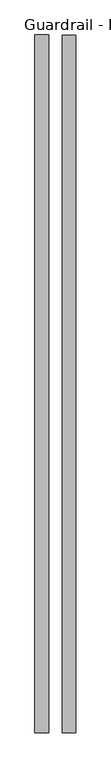
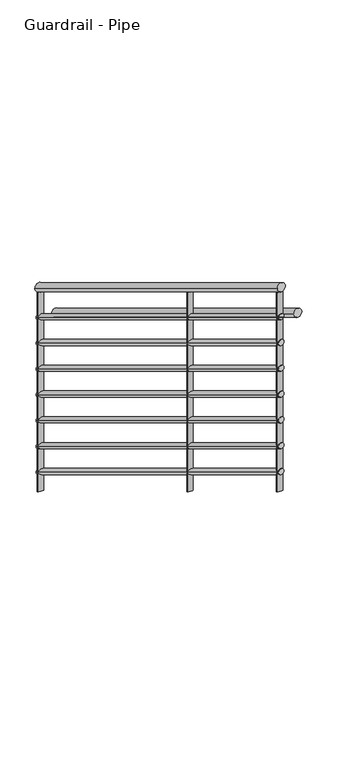
"""IFC4 building model written with IfcOpenShell, lengths in millimetres: railing geometry, Guardrail - Pipe."""

from ifc_helpers import new_model, si_unit, frame, origin, place, context, project, spatial, ellipse_curve, source, transform, mapped, element, save
from ifc_brep_helpers import plane_surface, cylinder_surface, advanced_brep


def guardrail_pipe_20d949bf(model_context):
    return source(origin(), model_context, "Body", "AdvancedBrep", [
        advanced_brep(
        [(17119.2031068, 297.9226057, 1213.8577857), (17081.1031068, 297.9226057, 1213.8577857), (17119.2031068, -1657.8773943, 2399.1911191), (17081.1031068, -1657.8773943, 2399.1911191)],
        [
            (0, 1, ellipse_curve(frame((17100.1531068, 297.9226057, 1213.8577857), z_axis=(0.0, 1.0, 0.0), x_axis=(0.0, 0.0, -1.0)), 22.2755476, 19.05)),
            (1, 0, ellipse_curve(frame((17100.1531068, 297.9226057, 1213.8577857), z_axis=(0.0, 1.0, 0.0), x_axis=(0.0, 0.0, -1.0)), 22.2755476, 19.05)),
            (2, 3, ellipse_curve(frame((17100.1531068, -1657.8773943, 2399.1911191), z_axis=(0.0, -1.0, 0.0), x_axis=(0.0, 0.0, -1.0)), 22.2755476, 19.05)),
            (3, 2, ellipse_curve(frame((17100.1531068, -1657.8773943, 2399.1911191), z_axis=(0.0, -1.0, 0.0), x_axis=(0.0, 0.0, -1.0)), 22.2755476, 19.05)),
            (0, 2),
            (3, 1),
        ],
        [
            plane_surface(frame((17100.1531068, 297.9226057, 1236.1333333), z_axis=(0.0, 1.0, 0.0), x_axis=(0.0, 0.0, -1.0))),
            plane_surface(frame((17100.1531068, -1657.8773943, 2421.4666667), z_axis=(0.0, -1.0, 0.0), x_axis=(0.0, 0.0, -1.0))),
            cylinder_surface(frame((17100.1531068, 288.048958, 1219.8418146), z_axis=(0.0, 0.8551978315540538, -0.5183017160932849), x_axis=(-1.0, 0.0, 0.0)), 19.05),
        ],
        [
            (0, [[1, 2]]),
            (1, [[3, 4]]),
            (2, [[-1, 5, -4, 6]]),
            (2, [[-2, -6, -3, -5]]),
        ],
    ),
        advanced_brep(
        [(17112.8531068, 297.9226057, 1068.8829683), (17087.4531068, 297.9226057, 1068.8829683), (17112.8531068, -1657.8773943, 2254.2163016), (17087.4531068, -1657.8773943, 2254.2163016)],
        [
            (0, 1, ellipse_curve(frame((17100.1531068, 297.9226057, 1068.8829683), z_axis=(0.0, 1.0, 0.0), x_axis=(0.0, 0.0, -1.0)), 14.8503651, 12.7)),
            (1, 0, ellipse_curve(frame((17100.1531068, 297.9226057, 1068.8829683), z_axis=(0.0, 1.0, 0.0), x_axis=(0.0, 0.0, -1.0)), 14.8503651, 12.7)),
            (2, 3, ellipse_curve(frame((17100.1531068, -1657.8773943, 2254.2163016), z_axis=(0.0, -1.0, 0.0), x_axis=(0.0, 0.0, -1.0)), 14.8503651, 12.7)),
            (3, 2, ellipse_curve(frame((17100.1531068, -1657.8773943, 2254.2163016), z_axis=(0.0, -1.0, 0.0), x_axis=(0.0, 0.0, -1.0)), 14.8503651, 12.7)),
            (0, 2),
            (3, 1),
        ],
        [
            plane_surface(frame((17100.1531068, 297.9226057, 1083.7333333), z_axis=(0.0, 1.0, 0.0), x_axis=(0.0, 0.0, -1.0))),
            plane_surface(frame((17100.1531068, -1657.8773943, 2269.0666667), z_axis=(0.0, -1.0, 0.0), x_axis=(0.0, 0.0, -1.0))),
            cylinder_surface(frame((17100.1531068, 291.3401739, 1072.8723209), z_axis=(0.0, 0.8551978315540539, -0.5183017160932849), x_axis=(-1.0, 0.0, 0.0)), 12.7),
        ],
        [
            (0, [[1, 2]]),
            (1, [[3, 4]]),
            (2, [[-1, 5, -4, 6]]),
            (2, [[-2, -6, -3, -5]]),
        ],
    ),
        advanced_brep(
        [(17195.4031068, 297.9226057, 1061.4577857), (17157.3031068, 297.9226057, 1061.4577857), (17195.4031068, -1657.8773943, 2246.7911191), (17157.3031068, -1657.8773943, 2246.7911191)],
        [
            (0, 1, ellipse_curve(frame((17176.3531068, 297.9226057, 1061.4577857), z_axis=(0.0, 1.0, 0.0), x_axis=(0.0, 0.0, -1.0)), 22.2755476, 19.05)),
            (1, 0, ellipse_curve(frame((17176.3531068, 297.9226057, 1061.4577857), z_axis=(0.0, 1.0, 0.0), x_axis=(0.0, 0.0, -1.0)), 22.2755476, 19.05)),
            (2, 3, ellipse_curve(frame((17176.3531068, -1657.8773943, 2246.7911191), z_axis=(0.0, -1.0, 0.0), x_axis=(0.0, 0.0, -1.0)), 22.2755476, 19.05)),
            (3, 2, ellipse_curve(frame((17176.3531068, -1657.8773943, 2246.7911191), z_axis=(0.0, -1.0, 0.0), x_axis=(0.0, 0.0, -1.0)), 22.2755476, 19.05)),
            (0, 2),
            (3, 1),
        ],
        [
            plane_surface(frame((17176.3531068, 297.9226057, 1083.7333333), z_axis=(0.0, 1.0, 0.0), x_axis=(0.0, 0.0, -1.0))),
            plane_surface(frame((17176.3531068, -1657.8773943, 2269.0666667), z_axis=(0.0, -1.0, 0.0), x_axis=(0.0, 0.0, -1.0))),
            cylinder_surface(frame((17176.3531068, 288.048958, 1067.4418146), z_axis=(0.0, 0.8551978315540539, -0.518301716093285), x_axis=(-1.0, 0.0, 0.0)), 19.05),
        ],
        [
            (0, [[1, 2]]),
            (1, [[3, 4]]),
            (2, [[-1, 5, -4, 6]]),
            (2, [[-2, -6, -3, -5]]),
        ],
    ),
        advanced_brep(
        [(17112.8531068, 297.9226057, 941.8829683), (17087.4531068, 297.9226057, 941.8829683), (17112.8531068, -1657.8773943, 2127.2163016), (17087.4531068, -1657.8773943, 2127.2163016)],
        [
            (0, 1, ellipse_curve(frame((17100.1531068, 297.9226057, 941.8829683), z_axis=(0.0, 1.0, 0.0), x_axis=(0.0, 0.0, -1.0)), 14.8503651, 12.7)),
            (1, 0, ellipse_curve(frame((17100.1531068, 297.9226057, 941.8829683), z_axis=(0.0, 1.0, 0.0), x_axis=(0.0, 0.0, -1.0)), 14.8503651, 12.7)),
            (2, 3, ellipse_curve(frame((17100.1531068, -1657.8773943, 2127.2163016), z_axis=(0.0, -1.0, 0.0), x_axis=(0.0, 0.0, -1.0)), 14.8503651, 12.7)),
            (3, 2, ellipse_curve(frame((17100.1531068, -1657.8773943, 2127.2163016), z_axis=(0.0, -1.0, 0.0), x_axis=(0.0, 0.0, -1.0)), 14.8503651, 12.7)),
            (0, 2),
            (3, 1),
        ],
        [
            plane_surface(frame((17100.1531068, 297.9226057, 956.7333333), z_axis=(0.0, 1.0, 0.0), x_axis=(0.0, 0.0, -1.0))),
            plane_surface(frame((17100.1531068, -1657.8773943, 2142.0666667), z_axis=(0.0, -1.0, 0.0), x_axis=(0.0, 0.0, -1.0))),
            cylinder_surface(frame((17100.1531068, 291.3401739, 945.8723209), z_axis=(0.0, 0.8551978315540539, -0.5183017160932849), x_axis=(-1.0, 0.0, 0.0)), 12.7),
        ],
        [
            (0, [[1, 2]]),
            (1, [[3, 4]]),
            (2, [[-1, 5, -4, 6]]),
            (2, [[-2, -6, -3, -5]]),
        ],
    ),
        advanced_brep(
        [(17112.8531068, 297.9226057, 814.8829683), (17087.4531068, 297.9226057, 814.8829683), (17112.8531068, -1657.8773943, 2000.2163016), (17087.4531068, -1657.8773943, 2000.2163016)],
        [
            (0, 1, ellipse_curve(frame((17100.1531068, 297.9226057, 814.8829683), z_axis=(0.0, 1.0, 0.0), x_axis=(0.0, 0.0, -1.0)), 14.8503651, 12.7)),
            (1, 0, ellipse_curve(frame((17100.1531068, 297.9226057, 814.8829683), z_axis=(0.0, 1.0, 0.0), x_axis=(0.0, 0.0, -1.0)), 14.8503651, 12.7)),
            (2, 3, ellipse_curve(frame((17100.1531068, -1657.8773943, 2000.2163016), z_axis=(0.0, -1.0, 0.0), x_axis=(0.0, 0.0, -1.0)), 14.8503651, 12.7)),
            (3, 2, ellipse_curve(frame((17100.1531068, -1657.8773943, 2000.2163016), z_axis=(0.0, -1.0, 0.0), x_axis=(0.0, 0.0, -1.0)), 14.8503651, 12.7)),
            (0, 2),
            (3, 1),
        ],
        [
            plane_surface(frame((17100.1531068, 297.9226057, 829.7333333), z_axis=(0.0, 1.0, 0.0), x_axis=(0.0, 0.0, -1.0))),
            plane_surface(frame((17100.1531068, -1657.8773943, 2015.0666667), z_axis=(0.0, -1.0, 0.0), x_axis=(0.0, 0.0, -1.0))),
            cylinder_surface(frame((17100.1531068, 291.3401739, 818.8723209), z_axis=(0.0, 0.8551978315540538, -0.5183017160932849), x_axis=(-1.0, 0.0, 0.0)), 12.7),
        ],
        [
            (0, [[1, 2]]),
            (1, [[3, 4]]),
            (2, [[-1, 5, -4, 6]]),
            (2, [[-2, -6, -3, -5]]),
        ],
    ),
        advanced_brep(
        [(17112.8531068, 297.9226057, 687.8829683), (17087.4531068, 297.9226057, 687.8829683), (17112.8531068, -1657.8773943, 1873.2163016), (17087.4531068, -1657.8773943, 1873.2163016)],
        [
            (0, 1, ellipse_curve(frame((17100.1531068, 297.9226057, 687.8829683), z_axis=(0.0, 1.0, 0.0), x_axis=(0.0, 0.0, -1.0)), 14.8503651, 12.7)),
            (1, 0, ellipse_curve(frame((17100.1531068, 297.9226057, 687.8829683), z_axis=(0.0, 1.0, 0.0), x_axis=(0.0, 0.0, -1.0)), 14.8503651, 12.7)),
            (2, 3, ellipse_curve(frame((17100.1531068, -1657.8773943, 1873.2163016), z_axis=(0.0, -1.0, 0.0), x_axis=(0.0, 0.0, -1.0)), 14.8503651, 12.7)),
            (3, 2, ellipse_curve(frame((17100.1531068, -1657.8773943, 1873.2163016), z_axis=(0.0, -1.0, 0.0), x_axis=(0.0, 0.0, -1.0)), 14.8503651, 12.7)),
            (0, 2),
            (3, 1),
        ],
        [
            plane_surface(frame((17100.1531068, 297.9226057, 702.7333333), z_axis=(0.0, 1.0, 0.0), x_axis=(0.0, 0.0, -1.0))),
            plane_surface(frame((17100.1531068, -1657.8773943, 1888.0666667), z_axis=(0.0, -1.0, 0.0), x_axis=(0.0, 0.0, -1.0))),
            cylinder_surface(frame((17100.1531068, 291.3401739, 691.8723209), z_axis=(0.0, 0.8551978315540539, -0.5183017160932849), x_axis=(-1.0, 0.0, 0.0)), 12.7),
        ],
        [
            (0, [[1, 2]]),
            (1, [[3, 4]]),
            (2, [[-1, 5, -4, 6]]),
            (2, [[-2, -6, -3, -5]]),
        ],
    ),
        advanced_brep(
        [(17112.8531068, 297.9226057, 560.8829683), (17087.4531068, 297.9226057, 560.8829683), (17112.8531068, -1657.8773943, 1746.2163016), (17087.4531068, -1657.8773943, 1746.2163016)],
        [
            (0, 1, ellipse_curve(frame((17100.1531068, 297.9226057, 560.8829683), z_axis=(0.0, 1.0, 0.0), x_axis=(0.0, 0.0, -1.0)), 14.8503651, 12.7)),
            (1, 0, ellipse_curve(frame((17100.1531068, 297.9226057, 560.8829683), z_axis=(0.0, 1.0, 0.0), x_axis=(0.0, 0.0, -1.0)), 14.8503651, 12.7)),
            (2, 3, ellipse_curve(frame((17100.1531068, -1657.8773943, 1746.2163016), z_axis=(0.0, -1.0, 0.0), x_axis=(0.0, 0.0, -1.0)), 14.8503651, 12.7)),
            (3, 2, ellipse_curve(frame((17100.1531068, -1657.8773943, 1746.2163016), z_axis=(0.0, -1.0, 0.0), x_axis=(0.0, 0.0, -1.0)), 14.8503651, 12.7)),
            (0, 2),
            (3, 1),
        ],
        [
            plane_surface(frame((17100.1531068, 297.9226057, 575.7333333), z_axis=(0.0, 1.0, 0.0), x_axis=(0.0, 0.0, -1.0))),
            plane_surface(frame((17100.1531068, -1657.8773943, 1761.0666667), z_axis=(0.0, -1.0, 0.0), x_axis=(0.0, 0.0, -1.0))),
            cylinder_surface(frame((17100.1531068, 291.3401739, 564.8723209), z_axis=(0.0, 0.8551978315540539, -0.5183017160932849), x_axis=(-1.0, 0.0, 0.0)), 12.7),
        ],
        [
            (0, [[1, 2]]),
            (1, [[3, 4]]),
            (2, [[-1, 5, -4, 6]]),
            (2, [[-2, -6, -3, -5]]),
        ],
    ),
        advanced_brep(
        [(17112.8531068, 297.9226057, 433.8829683), (17087.4531068, 297.9226057, 433.8829683), (17112.8531068, -1657.8773943, 1619.2163016), (17087.4531068, -1657.8773943, 1619.2163016)],
        [
            (0, 1, ellipse_curve(frame((17100.1531068, 297.9226057, 433.8829683), z_axis=(0.0, 1.0, 0.0), x_axis=(0.0, 0.0, -1.0)), 14.8503651, 12.7)),
            (1, 0, ellipse_curve(frame((17100.1531068, 297.9226057, 433.8829683), z_axis=(0.0, 1.0, 0.0), x_axis=(0.0, 0.0, -1.0)), 14.8503651, 12.7)),
            (2, 3, ellipse_curve(frame((17100.1531068, -1657.8773943, 1619.2163016), z_axis=(0.0, -1.0, 0.0), x_axis=(0.0, 0.0, -1.0)), 14.8503651, 12.7)),
            (3, 2, ellipse_curve(frame((17100.1531068, -1657.8773943, 1619.2163016), z_axis=(0.0, -1.0, 0.0), x_axis=(0.0, 0.0, -1.0)), 14.8503651, 12.7)),
            (0, 2),
            (3, 1),
        ],
        [
            plane_surface(frame((17100.1531068, 297.9226057, 448.7333333), z_axis=(0.0, 1.0, 0.0), x_axis=(0.0, 0.0, -1.0))),
            plane_surface(frame((17100.1531068, -1657.8773943, 1634.0666667), z_axis=(0.0, -1.0, 0.0), x_axis=(0.0, 0.0, -1.0))),
            cylinder_surface(frame((17100.1531068, 291.3401739, 437.8723209), z_axis=(0.0, 0.8551978315540538, -0.5183017160932849), x_axis=(-1.0, 0.0, 0.0)), 12.7),
        ],
        [
            (0, [[1, 2]]),
            (1, [[3, 4]]),
            (2, [[-1, 5, -4, 6]]),
            (2, [[-2, -6, -3, -5]]),
        ],
    ),
        advanced_brep(
        [(17112.8531068, 297.9226057, 306.8829683), (17087.4531068, 297.9226057, 306.8829683), (17112.8531068, -1657.8773943, 1492.2163016), (17087.4531068, -1657.8773943, 1492.2163016)],
        [
            (0, 1, ellipse_curve(frame((17100.1531068, 297.9226057, 306.8829683), z_axis=(0.0, 1.0, 0.0), x_axis=(0.0, 0.0, -1.0)), 14.8503651, 12.7)),
            (1, 0, ellipse_curve(frame((17100.1531068, 297.9226057, 306.8829683), z_axis=(0.0, 1.0, 0.0), x_axis=(0.0, 0.0, -1.0)), 14.8503651, 12.7)),
            (2, 3, ellipse_curve(frame((17100.1531068, -1657.8773943, 1492.2163016), z_axis=(0.0, -1.0, 0.0), x_axis=(0.0, 0.0, -1.0)), 14.8503651, 12.7)),
            (3, 2, ellipse_curve(frame((17100.1531068, -1657.8773943, 1492.2163016), z_axis=(0.0, -1.0, 0.0), x_axis=(0.0, 0.0, -1.0)), 14.8503651, 12.7)),
            (0, 2),
            (3, 1),
        ],
        [
            plane_surface(frame((17100.1531068, 297.9226057, 321.7333333), z_axis=(0.0, 1.0, 0.0), x_axis=(0.0, 0.0, -1.0))),
            plane_surface(frame((17100.1531068, -1657.8773943, 1507.0666667), z_axis=(0.0, -1.0, 0.0), x_axis=(0.0, 0.0, -1.0))),
            cylinder_surface(frame((17100.1531068, 291.3401739, 310.8723209), z_axis=(0.0, 0.8551978315540539, -0.5183017160932849), x_axis=(-1.0, 0.0, 0.0)), 12.7),
        ],
        [
            (0, [[1, 2]]),
            (1, [[3, 4]]),
            (2, [[-1, 5, -4, 6]]),
            (2, [[-2, -6, -3, -5]]),
        ],
    ),
        advanced_brep(
        [(17087.4531068, -921.2773943, 1930.4913291), (17087.4531068, -921.2773943, 951.0236029), (17112.8531068, -921.2773943, 951.0236029), (17112.8531068, -921.2773943, 1930.4913291)],
        [
            (0, 1),
            (1, 2, ellipse_curve(frame((17100.1531068, -921.2773943, 951.0236029), z_axis=(0.0, 0.5183017160932849, 0.8551978315540538), x_axis=(0.0, -0.8551978315540538, 0.518301716093285)), 14.8503651, 12.7)),
            (2, 3),
            (3, 0, ellipse_curve(frame((17100.1531068, -921.2773943, 1930.4913291), z_axis=(0.0, -0.5183017160932833, -0.8551978315540549), x_axis=(0.0, -0.855197831554055, 0.518301716093283)), 14.8503651, 12.7)),
            (0, 3, ellipse_curve(frame((17100.1531068, -921.2773943, 1930.4913291), z_axis=(0.0, -0.5183017160932833, -0.8551978315540549), x_axis=(0.0, -0.855197831554055, 0.518301716093283)), 14.8503651, 12.7)),
            (2, 1, ellipse_curve(frame((17100.1531068, -921.2773943, 951.0236029), z_axis=(0.0, 0.5183017160932849, 0.8551978315540538), x_axis=(0.0, -0.8551978315540538, 0.518301716093285)), 14.8503651, 12.7)),
        ],
        [
            cylinder_surface(frame((17100.1531068, -921.2773943, 722.4236029), z_axis=(0.0, 0.0, 1.0), x_axis=(1.0, 0.0, 0.0)), 12.7),
            plane_surface(frame((17125.5531068, -946.6773943, 1945.8852684), z_axis=(0.0, 0.5183017160932833, 0.8551978315540549), x_axis=(-1.0, 0.0, 0.0))),
            plane_surface(frame((17125.5531068, -895.8773943, 935.6296635), z_axis=(0.0, -0.5183017160932849, -0.8551978315540538), x_axis=(-1.0, 0.0, 0.0))),
        ],
        [
            (0, [[1, 2, 3, 4]]),
            (0, [[-1, 5, -3, 6]]),
            (1, [[-4, -5]]),
            (2, [[-2, -6]]),
        ],
    ),
        advanced_brep(
        [(17087.4531068, -1645.1773943, 2369.2186018), (17087.4531068, -1645.1773943, 1389.7508756), (17112.8531068, -1645.1773943, 1389.7508756), (17112.8531068, -1645.1773943, 2369.2186018)],
        [
            (0, 1),
            (1, 2, ellipse_curve(frame((17100.1531068, -1645.1773943, 1389.7508756), z_axis=(0.0, 0.5183017160932849, 0.8551978315540538), x_axis=(0.0, -0.8551978315540538, 0.518301716093285)), 14.8503651, 12.7)),
            (2, 3),
            (3, 0, ellipse_curve(frame((17100.1531068, -1645.1773943, 2369.2186018), z_axis=(0.0, -0.5183017160932833, -0.8551978315540549), x_axis=(0.0, -0.855197831554055, 0.518301716093283)), 14.8503651, 12.7)),
            (0, 3, ellipse_curve(frame((17100.1531068, -1645.1773943, 2369.2186018), z_axis=(0.0, -0.5183017160932833, -0.8551978315540549), x_axis=(0.0, -0.855197831554055, 0.518301716093283)), 14.8503651, 12.7)),
            (2, 1, ellipse_curve(frame((17100.1531068, -1645.1773943, 1389.7508756), z_axis=(0.0, 0.5183017160932849, 0.8551978315540538), x_axis=(0.0, -0.8551978315540538, 0.518301716093285)), 14.8503651, 12.7)),
        ],
        [
            cylinder_surface(frame((17100.1531068, -1645.1773943, 1161.1508756), z_axis=(0.0, 0.0, 1.0), x_axis=(1.0, 0.0, 0.0)), 12.7),
            plane_surface(frame((17125.5531068, -1670.5773943, 2384.6125412), z_axis=(0.0, 0.5183017160932833, 0.8551978315540549), x_axis=(-1.0, 0.0, 0.0))),
            plane_surface(frame((17125.5531068, -1619.7773943, 1374.3569362), z_axis=(0.0, -0.5183017160932849, -0.8551978315540538), x_axis=(-1.0, 0.0, 0.0))),
        ],
        [
            (0, [[1, 2, 3, 4]]),
            (0, [[-1, 5, -3, 6]]),
            (1, [[-4, -5]]),
            (2, [[-2, -6]]),
        ],
    ),
        advanced_brep(
        [(17087.4531068, 285.2226057, 1199.2792078), (17087.4531068, 285.2226057, 219.8114817), (17112.8531068, 285.2226057, 219.8114817), (17112.8531068, 285.2226057, 1199.2792078)],
        [
            (0, 1),
            (1, 2, ellipse_curve(frame((17100.1531068, 285.2226057, 219.8114817), z_axis=(0.0, 0.5183017160932849, 0.8551978315540538), x_axis=(0.0, -0.8551978315540538, 0.518301716093285)), 14.8503651, 12.7)),
            (2, 3),
            (3, 0, ellipse_curve(frame((17100.1531068, 285.2226057, 1199.2792078), z_axis=(0.0, -0.5183017160932833, -0.8551978315540549), x_axis=(0.0, -0.855197831554055, 0.518301716093283)), 14.8503651, 12.7)),
            (0, 3, ellipse_curve(frame((17100.1531068, 285.2226057, 1199.2792078), z_axis=(0.0, -0.5183017160932833, -0.8551978315540549), x_axis=(0.0, -0.855197831554055, 0.518301716093283)), 14.8503651, 12.7)),
            (2, 1, ellipse_curve(frame((17100.1531068, 285.2226057, 219.8114817), z_axis=(0.0, 0.5183017160932849, 0.8551978315540538), x_axis=(0.0, -0.8551978315540538, 0.518301716093285)), 14.8503651, 12.7)),
        ],
        [
            cylinder_surface(frame((17100.1531068, 285.2226057, -8.7885183), z_axis=(0.0, 0.0, 1.0), x_axis=(1.0, 0.0, 0.0)), 12.7),
            plane_surface(frame((17125.5531068, 259.8226057, 1214.6731472), z_axis=(0.0, 0.5183017160932833, 0.8551978315540549), x_axis=(-1.0, 0.0, 0.0))),
            plane_surface(frame((17125.5531068, 310.6226057, 204.4175423), z_axis=(0.0, -0.5183017160932849, -0.8551978315540538), x_axis=(-1.0, 0.0, 0.0))),
        ],
        [
            (0, [[1, 2, 3, 4]]),
            (0, [[-1, 5, -3, 6]]),
            (1, [[-4, -5]]),
            (2, [[-2, -6]]),
        ],
    ),
    ])


if __name__ == "__main__":
    model = new_model("IFC4")
    model_context = context("Model", 3, world=origin())
    ifc_project = project(units=[si_unit("LENGTHUNIT", "METRE", prefix="MILLI")], contexts=[model_context])
    site = spatial("IfcSite", under=ifc_project)
    building = spatial("IfcBuilding", under=site)
    placement = place(None, origin())
    guardrail_pipe_shape = guardrail_pipe_20d949bf(model_context)
    element("IfcRailing", 1, ObjectType="Guardrail - Pipe", at=placement, inside=building, context=model_context, shape_type="MappedRepresentation", body=[
        mapped(guardrail_pipe_shape, transform((0.0, 0.0, 0.0), x_axis=(1.0, 0.0, 0.0), y_axis=(0.0, 1.0, 0.0), z_axis=(0.0, 0.0, 1.0))),
    ])
    save(model, "model.ifc")
